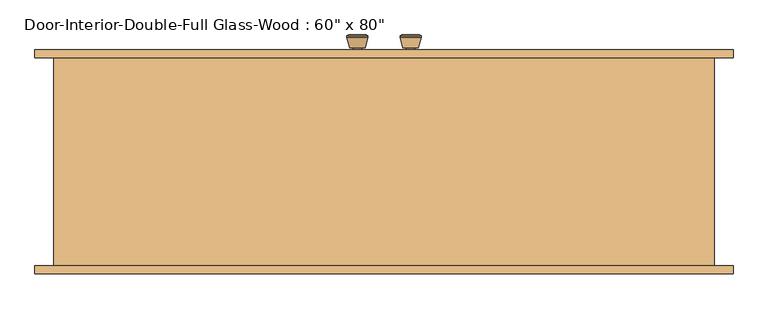
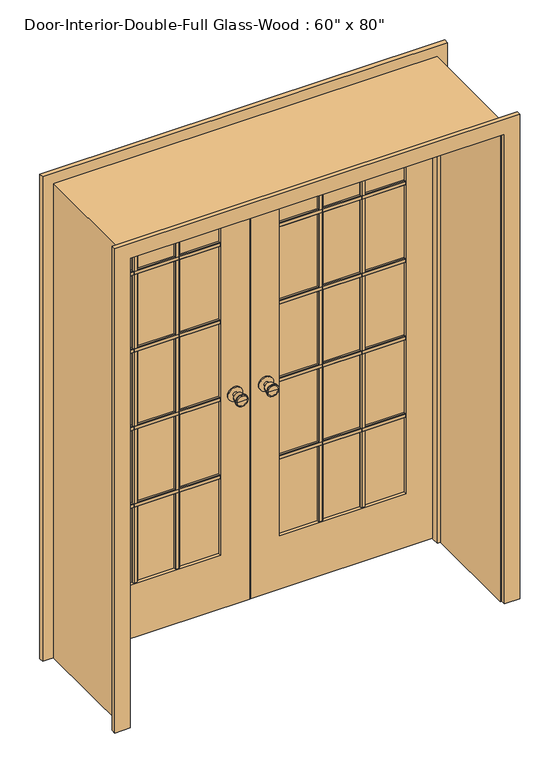
"""IFC4 building model written with IfcOpenShell, lengths in millimetres: door geometry."""

from ifc_helpers import new_model, si_unit, point, frame, frame_2d, origin, place, context, project, spatial, polyline, circle_curve, trimmed, segment, composite_curve, outline, extrude, faceted_brep, source, transform, mapped, element, save
from ifc_brep_helpers import plane_surface, cylinder_surface, revolved_surface, advanced_brep


def door_a3e62975(model_context):
    return source(origin(), model_context, "Body", "SolidModel", [
        advanced_brep(
        [(-63.5, 250.475, 914.4), (-73.5, 250.475, 914.4), (-53.5, 250.475, 914.4), (-83.9758676, 299.475, 914.4), (-63.5, 299.475, 914.4), (-43.0241324, 299.475, 914.4), (-88.5, 297.6471319, 914.4), (-38.5, 297.6471319, 914.4), (-88.5, 294.1834537, 914.4), (-38.5, 294.1834537, 914.4), (-82.136236, 269.475, 914.4), (-44.863764, 269.475, 914.4), (-73.5, 269.475, 914.4), (-53.5, 269.475, 914.4)],
        [
            (0, 1),
            (1, 2, circle_curve(frame((-63.5, 250.475, 914.4), z_axis=(0.0, -1.0, 0.0), x_axis=(1.0, 0.0, 0.0)), 10.0)),
            (2, 0),
            (2, 1, circle_curve(frame((-63.5, 250.475, 914.4), z_axis=(0.0, -1.0, 0.0), x_axis=(1.0, 0.0, 0.0)), 10.0)),
            (3, 4),
            (4, 5),
            (5, 3, circle_curve(frame((-63.5, 299.475, 914.4), z_axis=(0.0, 1.0, 0.0), x_axis=(1.0, 0.0, 0.0)), 20.4758676)),
            (3, 5, circle_curve(frame((-63.5, 299.475, 914.4), z_axis=(0.0, 1.0, 0.0), x_axis=(1.0, 0.0, 0.0)), 20.4758676)),
            (6, 3),
            (5, 7),
            (7, 6, circle_curve(frame((-63.5, 297.6471319, 914.4), z_axis=(0.0, 1.0, 0.0), x_axis=(1.0, 0.0, 0.0)), 25.0)),
            (6, 7, circle_curve(frame((-63.5, 297.6471319, 914.4), z_axis=(0.0, 1.0, 0.0), x_axis=(1.0, 0.0, 0.0)), 25.0)),
            (8, 6),
            (7, 9),
            (9, 8, circle_curve(frame((-63.5, 294.1834537, 914.4), z_axis=(0.0, 1.0, 0.0), x_axis=(1.0, 0.0, 0.0)), 25.0)),
            (8, 9, circle_curve(frame((-63.5, 294.1834537, 914.4), z_axis=(0.0, 1.0, 0.0), x_axis=(1.0, 0.0, 0.0)), 25.0)),
            (10, 8),
            (9, 11),
            (11, 10, circle_curve(frame((-63.5, 269.475, 914.4), z_axis=(0.0, 1.0, 0.0), x_axis=(1.0, 0.0, 0.0)), 18.636236)),
            (10, 11, circle_curve(frame((-63.5, 269.475, 914.4), z_axis=(0.0, 1.0, 0.0), x_axis=(1.0, 0.0, 0.0)), 18.636236)),
            (12, 10),
            (11, 13),
            (13, 12, circle_curve(frame((-63.5, 269.475, 914.4), z_axis=(0.0, 1.0, 0.0), x_axis=(1.0, 0.0, 0.0)), 10.0)),
            (12, 13, circle_curve(frame((-63.5, 269.475, 914.4), z_axis=(0.0, 1.0, 0.0), x_axis=(1.0, 0.0, 0.0)), 10.0)),
            (1, 12),
            (13, 2),
        ],
        [
            plane_surface(frame((-63.5, 250.475, 914.4), z_axis=(0.0, -1.0, 0.0), x_axis=(1.0, 0.0, 0.0))),
            plane_surface(frame((-63.5, 299.475, 914.4), z_axis=(0.0, 1.0, 0.0), x_axis=(1.0, 0.0, 0.0))),
            revolved_surface(polyline([(-43.0241324, 299.475, 914.4), (-38.5, 297.6471319, 914.4)]), (-63.5, 250.475, 914.4), (0.0, -1.0, 0.0)),
            cylinder_surface(frame((-63.5, 250.475, 914.4), z_axis=(0.0, -1.0, 0.0), x_axis=(1.0, 0.0, 0.0)), 25.0),
            revolved_surface(polyline([(-38.5, 294.1834537, 914.4), (-44.863764, 269.475, 914.4)]), (-63.5, 250.475, 914.4), (0.0, -1.0, 0.0)),
            plane_surface(frame((-63.5, 269.475, 914.4), z_axis=(0.0, -1.0, 0.0), x_axis=(1.0, 0.0, 0.0))),
            cylinder_surface(frame((-63.5, 250.475, 914.4), z_axis=(0.0, -1.0, 0.0), x_axis=(1.0, 0.0, 0.0)), 10.0),
        ],
        [
            (0, [[1, 2, 3]]),
            (0, [[-3, 4, -1]]),
            (1, [[5, 6, 7]]),
            (1, [[-6, -5, 8]]),
            (2, [[9, -7, 10, 11]]),
            (2, [[-10, -8, -9, 12]]),
            (3, [[13, -11, 14, 15]]),
            (3, [[-14, -12, -13, 16]]),
            (4, [[17, -15, 18, 19]]),
            (4, [[-18, -16, -17, 20]]),
            (5, [[21, -19, 22, 23]]),
            (5, [[-22, -20, -21, 24]]),
            (6, [[25, -23, 26, -2]]),
            (6, [[-26, -24, -25, -4]]),
        ],
    ),
        extrude(outline(composite_curve([segment(trimmed(circle_curve(frame_2d((914.4, -63.5)), 30.0), [point((914.4, -33.5))], [point((914.4, -93.5))], False, "CARTESIAN"), True, "CONTINUOUS"), segment(trimmed(circle_curve(frame_2d((914.4, -63.5)), 30.0), [point((914.4, -93.5))], [point((914.4, -33.5))], False, "CARTESIAN"), True, "CONTINUOUS")], self_intersect=False)), frame((0.0, 244.475, 0.0), z_axis=(0.0, 1.0, 0.0), x_axis=(0.0, 0.0, 1.0)), (0.0, 0.0, 1.0), 6.0),
        advanced_brep(
        [(-63.5, 203.55, 914.4), (-53.5, 203.55, 914.4), (-73.5, 203.55, 914.4), (-83.9758676, 154.55, 914.4), (-43.0241324, 154.55, 914.4), (-63.5, 154.55, 914.4), (-88.5, 156.3778681, 914.4), (-38.5, 156.3778681, 914.4), (-88.5, 159.8415463, 914.4), (-38.5, 159.8415463, 914.4), (-82.136236, 184.55, 914.4), (-44.863764, 184.55, 914.4), (-73.5, 184.55, 914.4), (-53.5, 184.55, 914.4)],
        [
            (0, 1),
            (1, 2, circle_curve(frame((-63.5, 203.55, 914.4), z_axis=(0.0, 1.0, 0.0), x_axis=(1.0, 0.0, 0.0)), 10.0)),
            (2, 0),
            (2, 1, circle_curve(frame((-63.5, 203.55, 914.4), z_axis=(0.0, 1.0, 0.0), x_axis=(1.0, 0.0, 0.0)), 10.0)),
            (3, 4, circle_curve(frame((-63.5, 154.55, 914.4), z_axis=(0.0, -1.0, 0.0), x_axis=(1.0, 0.0, 0.0)), 20.4758676)),
            (4, 5),
            (5, 3),
            (4, 3, circle_curve(frame((-63.5, 154.55, 914.4), z_axis=(0.0, -1.0, 0.0), x_axis=(1.0, 0.0, 0.0)), 20.4758676)),
            (6, 7, circle_curve(frame((-63.5, 156.3778681, 914.4), z_axis=(0.0, -1.0, 0.0), x_axis=(1.0, 0.0, 0.0)), 25.0)),
            (7, 4),
            (3, 6),
            (7, 6, circle_curve(frame((-63.5, 156.3778681, 914.4), z_axis=(0.0, -1.0, 0.0), x_axis=(1.0, 0.0, 0.0)), 25.0)),
            (8, 9, circle_curve(frame((-63.5, 159.8415463, 914.4), z_axis=(0.0, -1.0, 0.0), x_axis=(1.0, 0.0, 0.0)), 25.0)),
            (9, 7),
            (6, 8),
            (9, 8, circle_curve(frame((-63.5, 159.8415463, 914.4), z_axis=(0.0, -1.0, 0.0), x_axis=(1.0, 0.0, 0.0)), 25.0)),
            (10, 11, circle_curve(frame((-63.5, 184.55, 914.4), z_axis=(0.0, -1.0, 0.0), x_axis=(1.0, 0.0, 0.0)), 18.636236)),
            (11, 9),
            (8, 10),
            (11, 10, circle_curve(frame((-63.5, 184.55, 914.4), z_axis=(0.0, -1.0, 0.0), x_axis=(1.0, 0.0, 0.0)), 18.636236)),
            (12, 13, circle_curve(frame((-63.5, 184.55, 914.4), z_axis=(0.0, -1.0, 0.0), x_axis=(1.0, 0.0, 0.0)), 10.0)),
            (13, 11),
            (10, 12),
            (13, 12, circle_curve(frame((-63.5, 184.55, 914.4), z_axis=(0.0, -1.0, 0.0), x_axis=(1.0, 0.0, 0.0)), 10.0)),
            (1, 13),
            (12, 2),
        ],
        [
            plane_surface(frame((-63.5, 203.55, 914.4), z_axis=(0.0, 1.0, 0.0), x_axis=(1.0, 0.0, 0.0))),
            plane_surface(frame((-63.5, 154.55, 914.4), z_axis=(0.0, -1.0, 0.0), x_axis=(1.0, 0.0, 0.0))),
            revolved_surface(polyline([(-43.0241324, 154.55, 914.4), (-38.5, 156.3778681, 914.4)]), (-63.5, 203.55, 914.4), (0.0, 1.0, 0.0)),
            cylinder_surface(frame((-63.5, 203.55, 914.4), z_axis=(0.0, 1.0, 0.0), x_axis=(1.0, 0.0, 0.0)), 25.0),
            revolved_surface(polyline([(-38.5, 159.8415463, 914.4), (-44.863764, 184.55, 914.4)]), (-63.5, 203.55, 914.4), (0.0, 1.0, 0.0)),
            plane_surface(frame((-63.5, 184.55, 914.4), z_axis=(0.0, 1.0, 0.0), x_axis=(1.0, 0.0, 0.0))),
            cylinder_surface(frame((-63.5, 203.55, 914.4), z_axis=(0.0, 1.0, 0.0), x_axis=(1.0, 0.0, 0.0)), 10.0),
        ],
        [
            (0, [[1, 2, 3]]),
            (0, [[-3, 4, -1]]),
            (1, [[5, 6, 7]]),
            (1, [[8, -7, -6]]),
            (2, [[9, 10, -5, 11]]),
            (2, [[12, -11, -8, -10]]),
            (3, [[13, 14, -9, 15]]),
            (3, [[16, -15, -12, -14]]),
            (4, [[17, 18, -13, 19]]),
            (4, [[20, -19, -16, -18]]),
            (5, [[21, 22, -17, 23]]),
            (5, [[24, -23, -20, -22]]),
            (6, [[-2, 25, -21, 26]]),
            (6, [[-4, -26, -24, -25]]),
        ],
    ),
        extrude(outline(composite_curve([segment(trimmed(circle_curve(frame_2d((914.4, -63.5)), 30.0), [point((914.4, -33.5))], [point((914.4, -93.5))], False, "CARTESIAN"), True, "CONTINUOUS"), segment(trimmed(circle_curve(frame_2d((914.4, -63.5)), 30.0), [point((914.4, -93.5))], [point((914.4, -33.5))], False, "CARTESIAN"), True, "CONTINUOUS")], self_intersect=False)), frame((0.0, 203.55, 0.0), z_axis=(0.0, 1.0, 0.0), x_axis=(0.0, 0.0, 1.0)), (0.0, 0.0, 1.0), 6.0),
        extrude(outline(polyline([(223.52, 1586.23), (223.52, 1567.18), (217.17, 1567.18), (213.995, 1570.355), (213.995, 1583.055), (217.17, 1586.23), (223.52, 1586.23)])), frame((120.65, 0.0, 0.0), z_axis=(1.0, 0.0, 0.0), x_axis=(0.0, 1.0, 0.0)), (0.0, 0.0, 1.0), 520.7),
        extrude(outline(polyline([(223.52, 1249.9975), (223.52, 1230.9475), (217.17, 1230.9475), (213.995, 1234.1225), (213.995, 1246.8225), (217.17, 1249.9975), (223.52, 1249.9975)])), frame((120.65, 0.0, 0.0), z_axis=(1.0, 0.0, 0.0), x_axis=(0.0, 1.0, 0.0)), (0.0, 0.0, 1.0), 520.7),
        extrude(outline(polyline([(223.52, 913.765), (223.52, 894.715), (217.17, 894.715), (213.995, 897.89), (213.995, 910.59), (217.17, 913.765), (223.52, 913.765)])), frame((120.65, 0.0, 0.0), z_axis=(1.0, 0.0, 0.0), x_axis=(0.0, 1.0, 0.0)), (0.0, 0.0, 1.0), 520.7),
        extrude(outline(polyline([(223.52, 577.5325), (223.52, 558.4825), (217.17, 558.4825), (213.995, 561.6575), (213.995, 574.3575), (217.17, 577.5325), (223.52, 577.5325)])), frame((120.65, 0.0, 0.0), z_axis=(1.0, 0.0, 0.0), x_axis=(0.0, 1.0, 0.0)), (0.0, 0.0, 1.0), 520.7),
        extrude(outline(polyline([(458.2583333, 223.52), (477.3083333, 223.52), (477.3083333, 217.17), (474.1333333, 213.995), (461.4333333, 213.995), (458.2583333, 217.17), (458.2583333, 223.52)])), frame((0.0, 0.0, 231.775), z_axis=(0.0, 0.0, 1.0), x_axis=(1.0, 0.0, 0.0)), (0.0, 0.0, 1.0), 1681.1625),
        extrude(outline(polyline([(284.6916667, 223.52), (303.7416667, 223.52), (303.7416667, 217.17), (300.5666667, 213.995), (287.8666667, 213.995), (284.6916667, 217.17), (284.6916667, 223.52)])), frame((0.0, 0.0, 231.775), z_axis=(0.0, 0.0, 1.0), x_axis=(1.0, 0.0, 0.0)), (0.0, 0.0, 1.0), 1681.1625),
        extrude(outline(polyline([(230.505, 1586.23), (236.855, 1586.23), (240.03, 1583.055), (240.03, 1570.355), (236.855, 1567.18), (230.505, 1567.18), (230.505, 1586.23)])), frame((-641.35, 0.0, 0.0), z_axis=(1.0, 0.0, 0.0), x_axis=(0.0, 1.0, 0.0)), (0.0, 0.0, 1.0), 520.7),
        extrude(outline(polyline([(230.505, 1249.9975), (236.855, 1249.9975), (240.03, 1246.8225), (240.03, 1234.1225), (236.855, 1230.9475), (230.505, 1230.9475), (230.505, 1249.9975)])), frame((-641.35, 0.0, 0.0), z_axis=(1.0, 0.0, 0.0), x_axis=(0.0, 1.0, 0.0)), (0.0, 0.0, 1.0), 520.7),
        extrude(outline(polyline([(230.505, 913.765), (236.855, 913.765), (240.03, 910.59), (240.03, 897.89), (236.855, 894.715), (230.505, 894.715), (230.505, 913.765)])), frame((-641.35, 0.0, 0.0), z_axis=(1.0, 0.0, 0.0), x_axis=(0.0, 1.0, 0.0)), (0.0, 0.0, 1.0), 520.7),
        extrude(outline(polyline([(230.505, 577.5325), (236.855, 577.5325), (240.03, 574.3575), (240.03, 561.6575), (236.855, 558.4825), (230.505, 558.4825), (230.505, 577.5325)])), frame((-641.35, 0.0, 0.0), z_axis=(1.0, 0.0, 0.0), x_axis=(0.0, 1.0, 0.0)), (0.0, 0.0, 1.0), 520.7),
        extrude(outline(polyline([(-303.7416667, 230.505), (-303.7416667, 236.855), (-300.5666667, 240.03), (-287.8666667, 240.03), (-284.6916667, 236.855), (-284.6916667, 230.505), (-303.7416667, 230.505)])), frame((0.0, 0.0, 231.775), z_axis=(0.0, 0.0, 1.0), x_axis=(1.0, 0.0, 0.0)), (0.0, 0.0, 1.0), 1681.1625),
        extrude(outline(polyline([(-477.3083333, 230.505), (-477.3083333, 236.855), (-474.1333333, 240.03), (-461.4333333, 240.03), (-458.2583333, 236.855), (-458.2583333, 230.505), (-477.3083333, 230.505)])), frame((0.0, 0.0, 231.775), z_axis=(0.0, 0.0, 1.0), x_axis=(1.0, 0.0, 0.0)), (0.0, 0.0, 1.0), 1681.1625),
        extrude(outline(polyline([(230.505, 1586.23), (236.855, 1586.23), (240.03, 1583.055), (240.03, 1570.355), (236.855, 1567.18), (230.505, 1567.18), (230.505, 1586.23)])), frame((120.65, 0.0, 0.0), z_axis=(1.0, 0.0, 0.0), x_axis=(0.0, 1.0, 0.0)), (0.0, 0.0, 1.0), 520.7),
        extrude(outline(polyline([(230.505, 1249.9975), (236.855, 1249.9975), (240.03, 1246.8225), (240.03, 1234.1225), (236.855, 1230.9475), (230.505, 1230.9475), (230.505, 1249.9975)])), frame((120.65, 0.0, 0.0), z_axis=(1.0, 0.0, 0.0), x_axis=(0.0, 1.0, 0.0)), (0.0, 0.0, 1.0), 520.7),
        extrude(outline(polyline([(230.505, 913.765), (236.855, 913.765), (240.03, 910.59), (240.03, 897.89), (236.855, 894.715), (230.505, 894.715), (230.505, 913.765)])), frame((120.65, 0.0, 0.0), z_axis=(1.0, 0.0, 0.0), x_axis=(0.0, 1.0, 0.0)), (0.0, 0.0, 1.0), 520.7),
        extrude(outline(polyline([(230.505, 577.5325), (236.855, 577.5325), (240.03, 574.3575), (240.03, 561.6575), (236.855, 558.4825), (230.505, 558.4825), (230.505, 577.5325)])), frame((120.65, 0.0, 0.0), z_axis=(1.0, 0.0, 0.0), x_axis=(0.0, 1.0, 0.0)), (0.0, 0.0, 1.0), 520.7),
        extrude(outline(polyline([(458.2583333, 230.505), (458.2583333, 236.855), (461.4333333, 240.03), (474.1333333, 240.03), (477.3083333, 236.855), (477.3083333, 230.505), (458.2583333, 230.505)])), frame((0.0, 0.0, 231.775), z_axis=(0.0, 0.0, 1.0), x_axis=(1.0, 0.0, 0.0)), (0.0, 0.0, 1.0), 1681.1625),
        extrude(outline(polyline([(284.6916667, 230.505), (284.6916667, 236.855), (287.8666667, 240.03), (300.5666667, 240.03), (303.7416667, 236.855), (303.7416667, 230.505), (284.6916667, 230.505)])), frame((0.0, 0.0, 231.775), z_axis=(0.0, 0.0, 1.0), x_axis=(1.0, 0.0, 0.0)), (0.0, 0.0, 1.0), 1681.1625),
        extrude(outline(polyline([(223.52, 1586.23), (223.52, 1567.18), (217.17, 1567.18), (213.995, 1570.355), (213.995, 1583.055), (217.17, 1586.23), (223.52, 1586.23)])), frame((-641.35, 0.0, 0.0), z_axis=(1.0, 0.0, 0.0), x_axis=(0.0, 1.0, 0.0)), (0.0, 0.0, 1.0), 520.7),
        extrude(outline(polyline([(223.52, 1249.9975), (223.52, 1230.9475), (217.17, 1230.9475), (213.995, 1234.1225), (213.995, 1246.8225), (217.17, 1249.9975), (223.52, 1249.9975)])), frame((-641.35, 0.0, 0.0), z_axis=(1.0, 0.0, 0.0), x_axis=(0.0, 1.0, 0.0)), (0.0, 0.0, 1.0), 520.7),
        extrude(outline(polyline([(223.52, 913.765), (223.52, 894.715), (217.17, 894.715), (213.995, 897.89), (213.995, 910.59), (217.17, 913.765), (223.52, 913.765)])), frame((-641.35, 0.0, 0.0), z_axis=(1.0, 0.0, 0.0), x_axis=(0.0, 1.0, 0.0)), (0.0, 0.0, 1.0), 520.7),
        extrude(outline(polyline([(223.52, 577.5325), (223.52, 558.4825), (217.17, 558.4825), (213.995, 561.6575), (213.995, 574.3575), (217.17, 577.5325), (223.52, 577.5325)])), frame((-641.35, 0.0, 0.0), z_axis=(1.0, 0.0, 0.0), x_axis=(0.0, 1.0, 0.0)), (0.0, 0.0, 1.0), 520.7),
        extrude(outline(polyline([(-303.7416667, 223.52), (-284.6916667, 223.52), (-284.6916667, 217.17), (-287.8666667, 213.995), (-300.5666667, 213.995), (-303.7416667, 217.17), (-303.7416667, 223.52)])), frame((0.0, 0.0, 231.775), z_axis=(0.0, 0.0, 1.0), x_axis=(1.0, 0.0, 0.0)), (0.0, 0.0, 1.0), 1681.1625),
        extrude(outline(polyline([(-477.3083333, 223.52), (-458.2583333, 223.52), (-458.2583333, 217.17), (-461.4333333, 213.995), (-474.1333333, 213.995), (-477.3083333, 217.17), (-477.3083333, 223.52)])), frame((0.0, 0.0, 231.775), z_axis=(0.0, 0.0, 1.0), x_axis=(1.0, 0.0, 0.0)), (0.0, 0.0, 1.0), 1681.1625),
        advanced_brep(
        [(63.5, 203.55, 914.4), (73.5, 203.55, 914.4), (53.5, 203.55, 914.4), (83.9758676, 154.55, 914.4), (63.5, 154.55, 914.4), (43.0241324, 154.55, 914.4), (88.5, 156.3778681, 914.4), (38.5, 156.3778681, 914.4), (88.5, 159.8415463, 914.4), (38.5, 159.8415463, 914.4), (82.136236, 184.55, 914.4), (44.863764, 184.55, 914.4), (73.5, 184.55, 914.4), (53.5, 184.55, 914.4)],
        [
            (0, 1),
            (1, 2, circle_curve(frame((63.5, 203.55, 914.4), z_axis=(0.0, 1.0, 0.0), x_axis=(-1.0, 0.0, 0.0)), 10.0)),
            (2, 0),
            (2, 1, circle_curve(frame((63.5, 203.55, 914.4), z_axis=(0.0, 1.0, 0.0), x_axis=(-1.0, 0.0, 0.0)), 10.0)),
            (3, 4),
            (4, 5),
            (5, 3, circle_curve(frame((63.5, 154.55, 914.4), z_axis=(0.0, -1.0, 0.0), x_axis=(-1.0, 0.0, 0.0)), 20.4758676)),
            (3, 5, circle_curve(frame((63.5, 154.55, 914.4), z_axis=(0.0, -1.0, 0.0), x_axis=(-1.0, 0.0, 0.0)), 20.4758676)),
            (6, 3),
            (5, 7),
            (7, 6, circle_curve(frame((63.5, 156.3778681, 914.4), z_axis=(0.0, -1.0, 0.0), x_axis=(-1.0, 0.0, 0.0)), 25.0)),
            (6, 7, circle_curve(frame((63.5, 156.3778681, 914.4), z_axis=(0.0, -1.0, 0.0), x_axis=(-1.0, 0.0, 0.0)), 25.0)),
            (8, 6),
            (7, 9),
            (9, 8, circle_curve(frame((63.5, 159.8415463, 914.4), z_axis=(0.0, -1.0, 0.0), x_axis=(-1.0, 0.0, 0.0)), 25.0)),
            (8, 9, circle_curve(frame((63.5, 159.8415463, 914.4), z_axis=(0.0, -1.0, 0.0), x_axis=(-1.0, 0.0, 0.0)), 25.0)),
            (10, 8),
            (9, 11),
            (11, 10, circle_curve(frame((63.5, 184.55, 914.4), z_axis=(0.0, -1.0, 0.0), x_axis=(-1.0, 0.0, 0.0)), 18.636236)),
            (10, 11, circle_curve(frame((63.5, 184.55, 914.4), z_axis=(0.0, -1.0, 0.0), x_axis=(-1.0, 0.0, 0.0)), 18.636236)),
            (12, 10),
            (11, 13),
            (13, 12, circle_curve(frame((63.5, 184.55, 914.4), z_axis=(0.0, -1.0, 0.0), x_axis=(-1.0, 0.0, 0.0)), 10.0)),
            (12, 13, circle_curve(frame((63.5, 184.55, 914.4), z_axis=(0.0, -1.0, 0.0), x_axis=(-1.0, 0.0, 0.0)), 10.0)),
            (1, 12),
            (13, 2),
        ],
        [
            plane_surface(frame((63.5, 203.55, 914.4), z_axis=(0.0, 1.0, 0.0), x_axis=(-1.0, 0.0, 0.0))),
            plane_surface(frame((63.5, 154.55, 914.4), z_axis=(0.0, -1.0, 0.0), x_axis=(-1.0, 0.0, 0.0))),
            revolved_surface(polyline([(43.0241324, 154.55, 914.4), (38.5, 156.3778681, 914.4)]), (63.5, 203.55, 914.4), (0.0, 1.0, 0.0)),
            cylinder_surface(frame((63.5, 203.55, 914.4), z_axis=(0.0, 1.0, 0.0), x_axis=(-1.0, 0.0, 0.0)), 25.0),
            revolved_surface(polyline([(38.5, 159.8415463, 914.4), (44.863764, 184.55, 914.4)]), (63.5, 203.55, 914.4), (0.0, 1.0, 0.0)),
            plane_surface(frame((63.5, 184.55, 914.4), z_axis=(0.0, 1.0, 0.0), x_axis=(-1.0, 0.0, 0.0))),
            cylinder_surface(frame((63.5, 203.55, 914.4), z_axis=(0.0, 1.0, 0.0), x_axis=(-1.0, 0.0, 0.0)), 10.0),
        ],
        [
            (0, [[1, 2, 3]]),
            (0, [[-3, 4, -1]]),
            (1, [[5, 6, 7]]),
            (1, [[-6, -5, 8]]),
            (2, [[9, -7, 10, 11]]),
            (2, [[-10, -8, -9, 12]]),
            (3, [[13, -11, 14, 15]]),
            (3, [[-14, -12, -13, 16]]),
            (4, [[17, -15, 18, 19]]),
            (4, [[-18, -16, -17, 20]]),
            (5, [[21, -19, 22, 23]]),
            (5, [[-22, -20, -21, 24]]),
            (6, [[25, -23, 26, -2]]),
            (6, [[-26, -24, -25, -4]]),
        ],
    ),
        extrude(outline(composite_curve([segment(trimmed(circle_curve(frame_2d((914.4, 63.5)), 30.0), [point((914.4, 33.5))], [point((914.4, 93.5))], False, "CARTESIAN"), True, "CONTINUOUS"), segment(trimmed(circle_curve(frame_2d((914.4, 63.5)), 30.0), [point((914.4, 93.5))], [point((914.4, 33.5))], False, "CARTESIAN"), True, "CONTINUOUS")], self_intersect=False)), frame((0.0, 203.55, 0.0), z_axis=(0.0, 1.0, 0.0), x_axis=(0.0, 0.0, 1.0)), (0.0, 0.0, 1.0), 6.0),
        advanced_brep(
        [(63.5, 250.475, 914.4), (53.5, 250.475, 914.4), (73.5, 250.475, 914.4), (83.9758676, 299.475, 914.4), (43.0241324, 299.475, 914.4), (63.5, 299.475, 914.4), (88.5, 297.6471319, 914.4), (38.5, 297.6471319, 914.4), (88.5, 294.1834537, 914.4), (38.5, 294.1834537, 914.4), (82.136236, 269.475, 914.4), (44.863764, 269.475, 914.4), (73.5, 269.475, 914.4), (53.5, 269.475, 914.4)],
        [
            (0, 1),
            (1, 2, circle_curve(frame((63.5, 250.475, 914.4), z_axis=(0.0, -1.0, 0.0), x_axis=(-1.0, 0.0, 0.0)), 10.0)),
            (2, 0),
            (2, 1, circle_curve(frame((63.5, 250.475, 914.4), z_axis=(0.0, -1.0, 0.0), x_axis=(-1.0, 0.0, 0.0)), 10.0)),
            (3, 4, circle_curve(frame((63.5, 299.475, 914.4), z_axis=(0.0, 1.0, 0.0), x_axis=(-1.0, 0.0, 0.0)), 20.4758676)),
            (4, 5),
            (5, 3),
            (4, 3, circle_curve(frame((63.5, 299.475, 914.4), z_axis=(0.0, 1.0, 0.0), x_axis=(-1.0, 0.0, 0.0)), 20.4758676)),
            (6, 7, circle_curve(frame((63.5, 297.6471319, 914.4), z_axis=(0.0, 1.0, 0.0), x_axis=(-1.0, 0.0, 0.0)), 25.0)),
            (7, 4),
            (3, 6),
            (7, 6, circle_curve(frame((63.5, 297.6471319, 914.4), z_axis=(0.0, 1.0, 0.0), x_axis=(-1.0, 0.0, 0.0)), 25.0)),
            (8, 9, circle_curve(frame((63.5, 294.1834537, 914.4), z_axis=(0.0, 1.0, 0.0), x_axis=(-1.0, 0.0, 0.0)), 25.0)),
            (9, 7),
            (6, 8),
            (9, 8, circle_curve(frame((63.5, 294.1834537, 914.4), z_axis=(0.0, 1.0, 0.0), x_axis=(-1.0, 0.0, 0.0)), 25.0)),
            (10, 11, circle_curve(frame((63.5, 269.475, 914.4), z_axis=(0.0, 1.0, 0.0), x_axis=(-1.0, 0.0, 0.0)), 18.636236)),
            (11, 9),
            (8, 10),
            (11, 10, circle_curve(frame((63.5, 269.475, 914.4), z_axis=(0.0, 1.0, 0.0), x_axis=(-1.0, 0.0, 0.0)), 18.636236)),
            (12, 13, circle_curve(frame((63.5, 269.475, 914.4), z_axis=(0.0, 1.0, 0.0), x_axis=(-1.0, 0.0, 0.0)), 10.0)),
            (13, 11),
            (10, 12),
            (13, 12, circle_curve(frame((63.5, 269.475, 914.4), z_axis=(0.0, 1.0, 0.0), x_axis=(-1.0, 0.0, 0.0)), 10.0)),
            (1, 13),
            (12, 2),
        ],
        [
            plane_surface(frame((63.5, 250.475, 914.4), z_axis=(0.0, -1.0, 0.0), x_axis=(-1.0, 0.0, 0.0))),
            plane_surface(frame((63.5, 299.475, 914.4), z_axis=(0.0, 1.0, 0.0), x_axis=(-1.0, 0.0, 0.0))),
            revolved_surface(polyline([(43.0241324, 299.475, 914.4), (38.5, 297.6471319, 914.4)]), (63.5, 250.475, 914.4), (0.0, -1.0, 0.0)),
            cylinder_surface(frame((63.5, 250.475, 914.4), z_axis=(0.0, -1.0, 0.0), x_axis=(-1.0, 0.0, 0.0)), 25.0),
            revolved_surface(polyline([(38.5, 294.1834537, 914.4), (44.863764, 269.475, 914.4)]), (63.5, 250.475, 914.4), (0.0, -1.0, 0.0)),
            plane_surface(frame((63.5, 269.475, 914.4), z_axis=(0.0, -1.0, 0.0), x_axis=(-1.0, 0.0, 0.0))),
            cylinder_surface(frame((63.5, 250.475, 914.4), z_axis=(0.0, -1.0, 0.0), x_axis=(-1.0, 0.0, 0.0)), 10.0),
        ],
        [
            (0, [[1, 2, 3]]),
            (0, [[-3, 4, -1]]),
            (1, [[5, 6, 7]]),
            (1, [[8, -7, -6]]),
            (2, [[9, 10, -5, 11]]),
            (2, [[12, -11, -8, -10]]),
            (3, [[13, 14, -9, 15]]),
            (3, [[16, -15, -12, -14]]),
            (4, [[17, 18, -13, 19]]),
            (4, [[20, -19, -16, -18]]),
            (5, [[21, 22, -17, 23]]),
            (5, [[24, -23, -20, -22]]),
            (6, [[-2, 25, -21, 26]]),
            (6, [[-4, -26, -24, -25]]),
        ],
    ),
        extrude(outline(composite_curve([segment(trimmed(circle_curve(frame_2d((914.4, 63.5)), 30.0), [point((914.4, 33.5))], [point((914.4, 93.5))], False, "CARTESIAN"), True, "CONTINUOUS"), segment(trimmed(circle_curve(frame_2d((914.4, 63.5)), 30.0), [point((914.4, 93.5))], [point((914.4, 33.5))], False, "CARTESIAN"), True, "CONTINUOUS")], self_intersect=False)), frame((0.0, 244.475, 0.0), z_axis=(0.0, 1.0, 0.0), x_axis=(0.0, 0.0, 1.0)), (0.0, 0.0, 1.0), 6.0),
        extrude(outline(polyline([(0.0, 768.35), (0.0, 831.85), (2101.85, 831.85), (2101.85, -831.85), (0.0, -831.85), (0.0, -768.35), (2038.35, -768.35), (2038.35, 768.35), (0.0, 768.35)])), frame((0.0, 244.475, 0.0), z_axis=(0.0, 1.0, 0.0), x_axis=(0.0, 0.0, 1.0)), (0.0, 0.0, 1.0), 19.05),
        extrude(outline(polyline([(0.0, 768.35), (0.0, 831.85), (2101.85, 831.85), (2101.85, -831.85), (0.0, -831.85), (0.0, -768.35), (2038.35, -768.35), (2038.35, 768.35), (0.0, 768.35)])), frame((0.0, -269.875, 0.0), z_axis=(0.0, 1.0, 0.0), x_axis=(0.0, 0.0, 1.0)), (0.0, 0.0, 1.0), 19.05),
        extrude(outline(polyline([(2032.0, -762.0), (0.0, -762.0), (0.0, -1.6019111), (2032.0, -1.6019111), (2032.0, -762.0)]), holes=[polyline([(231.775, -641.35), (1912.9375, -641.35), (1912.9375, -120.65), (231.775, -120.65), (231.775, -641.35)])]), frame((0.0, 209.55, 0.0), z_axis=(0.0, 1.0, 0.0), x_axis=(0.0, 0.0, 1.0)), (0.0, 0.0, 1.0), 34.925),
        extrude(outline(polyline([(0.0, 762.0), (2032.0, 762.0), (2032.0, 1.5875), (0.0, 1.5875), (0.0, 762.0)]), holes=[polyline([(1912.9375, 120.65), (1912.9375, 641.35), (231.775, 641.35), (231.775, 120.65), (1912.9375, 120.65)])]), frame((0.0, 209.55, 0.0), z_axis=(0.0, 1.0, 0.0), x_axis=(0.0, 0.0, 1.0)), (0.0, 0.0, 1.0), 34.925),
        faceted_brep([(787.4, 244.475, 0.0), (787.4, -250.825, 0.0), (762.0, -250.825, 0.0), (762.0, 174.625, 0.0), (749.3, 174.625, 0.0), (749.3, 209.55, 0.0), (762.0, 209.55, 0.0), (762.0, 244.475, 0.0), (787.4, 244.475, 2057.4), (787.4, -250.825, 2057.4), (-787.4, -250.825, 2057.4), (-787.4, -250.825, 0.0), (-762.0, -250.825, 0.0), (-762.0, -250.825, 2032.0), (762.0, -250.825, 2032.0), (762.0, 174.625, 2032.0), (-762.0, 174.625, 2032.0), (-762.0, 174.625, 0.0), (-749.3, 174.625, 0.0), (-749.3, 174.625, 2019.3), (749.3, 174.625, 2019.3), (749.3, 209.55, 2019.3), (1.5875, 209.55, 2019.3), (-1.6019111, 209.55, 2019.3), (-749.3, 209.55, 2019.3), (-749.3, 209.55, 0.0), (-762.0, 209.55, 0.0), (-762.0, 209.55, 2032.0), (-1.6019111, 209.55, 2032.0), (1.5875, 209.55, 2032.0), (762.0, 209.55, 2032.0), (762.0, 244.475, 2032.0), (1.5875, 244.475, 2032.0), (-1.6019111, 244.475, 2032.0), (-762.0, 244.475, 2032.0), (-762.0, 244.475, 0.0), (-787.4, 244.475, 0.0), (-787.4, 244.475, 2057.4)], [[[0, 1, 2, 3, 4, 5, 6, 7]], [[1, 0, 8, 9]], [[2, 1, 9, 10, 11, 12, 13, 14]], [[3, 2, 14, 15]], [[4, 3, 15, 16, 17, 18, 19, 20]], [[5, 4, 20, 21]], [[6, 5, 21, 22, 23, 24, 25, 26, 27, 28, 29, 30]], [[7, 6, 30, 31]], [[0, 7, 31, 32, 33, 34, 35, 36, 37, 8]], [[9, 8, 37, 10]], [[14, 13, 16, 15]], [[20, 19, 24, 23, 22, 21]], [[31, 30, 29, 28, 27, 34, 33, 32]], [[12, 11, 36, 35, 26, 25, 18, 17]], [[11, 10, 37, 36]], [[13, 12, 17, 16]], [[19, 18, 25, 24]], [[27, 26, 35, 34]]]),
        extrude(outline(polyline([(641.35, 223.52), (120.65, 223.52), (120.65, 230.505), (641.35, 230.505), (641.35, 223.52)])), frame((0.0, 0.0, 231.775), z_axis=(0.0, 0.0, 1.0), x_axis=(1.0, 0.0, 0.0)), (0.0, 0.0, 1.0), 1681.1625),
        extrude(outline(polyline([(-120.65, 223.52), (-641.35, 223.52), (-641.35, 230.505), (-120.65, 230.505), (-120.65, 223.52)])), frame((0.0, 0.0, 231.775), z_axis=(0.0, 0.0, 1.0), x_axis=(1.0, 0.0, 0.0)), (0.0, 0.0, 1.0), 1681.1625),
    ])


if __name__ == "__main__":
    model = new_model("IFC4")
    model_context = context("Model", 3, world=origin())
    ifc_project = project(units=[si_unit("LENGTHUNIT", "METRE", prefix="MILLI")], contexts=[model_context])
    site = spatial("IfcSite", under=ifc_project)
    building = spatial("IfcBuilding", under=site)
    placement = place(None, origin())
    door_shape = door_a3e62975(model_context)
    element("IfcDoor", 1, ObjectType="Door-Interior-Double-Full Glass-Wood : 60\" x 80\"", at=placement, inside=building, context=model_context, shape_type="MappedRepresentation", body=[
        mapped(door_shape, transform((0.0, 0.0, 0.0), x_axis=(1.0, 0.0, 0.0), y_axis=(0.0, 1.0, 0.0), z_axis=(0.0, 0.0, 1.0))),
    ])
    save(model, "model.ifc")
